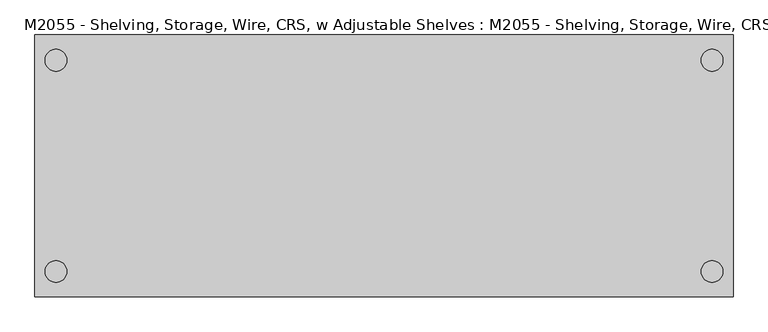
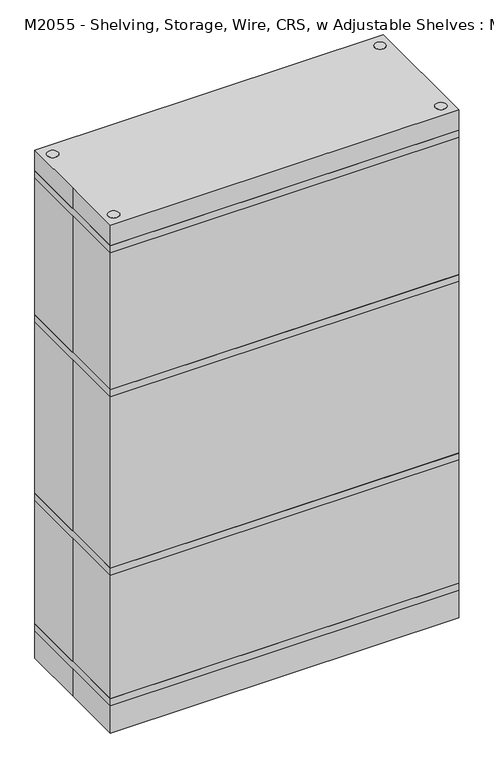
"""IFC4 building model written with IfcOpenShell, lengths in millimetres: proxy geometry, M2055 - Shelving, Storage, Wire, CRS, w Adjustable Shelves : M2055 - Shelving, Storage, Wire, CRS, w Adjustable Shelves."""

from ifc_helpers import new_model, si_unit, point, frame, frame_2d, origin, origin_with_axes, place, context, project, spatial, polyline, circle_curve, trimmed, segment, composite_curve, outline, extrude, source, transform, mapped, element, save


def m2055_shelving_storage_wire_crs_w_adjustable_shelves_m2055_7b4e6a09(model_context):
    return source(origin(), model_context, "Body", "SweptSolid", [
        extrude(outline(composite_curve([segment(trimmed(circle_curve(frame_2d((572.8672534, -184.4617049)), 19.05), [point((591.9172534, -184.4617049))], [point((553.8172534, -184.4617049))], False, "CARTESIAN"), True, "CONTINUOUS"), segment(trimmed(circle_curve(frame_2d((572.8672534, -184.4617049)), 19.05), [point((553.8172534, -184.4617049))], [point((591.9172534, -184.4617049))], False, "CARTESIAN"), True, "CONTINUOUS")], self_intersect=False)), origin_with_axes(), (0.0, 0.0, 1.0), 1879.6),
        extrude(outline(composite_curve([segment(trimmed(circle_curve(frame_2d((-572.8672534, -184.4617049)), 19.05), [point((-591.9172534, -184.4617049))], [point((-553.8172534, -184.4617049))], False, "CARTESIAN"), True, "CONTINUOUS"), segment(trimmed(circle_curve(frame_2d((-572.8672534, -184.4617049)), 19.05), [point((-553.8172534, -184.4617049))], [point((-591.9172534, -184.4617049))], False, "CARTESIAN"), True, "CONTINUOUS")], self_intersect=False)), origin_with_axes(), (0.0, 0.0, 1.0), 1879.6),
        extrude(outline(composite_curve([segment(trimmed(circle_curve(frame_2d((572.8672534, 184.4617049)), 19.05), [point((591.9172534, 184.4617049))], [point((553.8172534, 184.4617049))], False, "CARTESIAN"), True, "CONTINUOUS"), segment(trimmed(circle_curve(frame_2d((572.8672534, 184.4617049)), 19.05), [point((553.8172534, 184.4617049))], [point((591.9172534, 184.4617049))], False, "CARTESIAN"), True, "CONTINUOUS")], self_intersect=False)), origin_with_axes(), (0.0, 0.0, 1.0), 1879.6),
        extrude(outline(composite_curve([segment(trimmed(circle_curve(frame_2d((-572.8672534, 184.4617049)), 19.05), [point((-591.9172534, 184.4617049))], [point((-553.8172534, 184.4617049))], False, "CARTESIAN"), True, "CONTINUOUS"), segment(trimmed(circle_curve(frame_2d((-572.8672534, 184.4617049)), 19.05), [point((-553.8172534, 184.4617049))], [point((-591.9172534, 184.4617049))], False, "CARTESIAN"), True, "CONTINUOUS")], self_intersect=False)), origin_with_axes(), (0.0, 0.0, 1.0), 1879.6),
        extrude(outline(polyline([(609.6, 228.6), (609.6, -228.6), (-609.6, -228.6), (-609.6, 228.6), (609.6, 228.6)])), frame((0.0, 0.0, 1778.0), z_axis=(0.0, 0.0, 1.0), x_axis=(1.0, 0.0, 0.0)), (0.0, 0.0, 1.0), 25.4),
        extrude(outline(polyline([(609.6, 228.6), (609.6, -228.6), (-609.6, -228.6), (-609.6, 228.6), (609.6, 228.6)])), frame((0.0, 0.0, 1244.6), z_axis=(0.0, 0.0, 1.0), x_axis=(1.0, 0.0, 0.0)), (0.0, 0.0, 1.0), 25.4),
        extrude(outline(polyline([(609.6, 228.6), (609.6, -228.6), (-609.6, -228.6), (-609.6, 228.6), (609.6, 228.6)])), frame((0.0, 0.0, 584.2), z_axis=(0.0, 0.0, 1.0), x_axis=(1.0, 0.0, 0.0)), (0.0, 0.0, 1.0), 25.4),
        extrude(outline(polyline([(609.6, 228.6), (609.6, -228.6), (-609.6, -228.6), (-609.6, 228.6), (609.6, 228.6)])), frame((0.0, 0.0, 101.6), z_axis=(0.0, 0.0, 1.0), x_axis=(1.0, 0.0, 0.0)), (0.0, 0.0, 1.0), 25.4),
        extrude(outline(polyline([(-609.6, 228.6), (609.6, 228.6), (609.6, -228.6), (-609.6, -228.6), (-609.6, 0.0), (-609.6, 228.6)])), origin_with_axes(), (0.0, 0.0, 1.0), 1879.6),
    ])


if __name__ == "__main__":
    model = new_model("IFC4")
    model_context = context("Model", 3, world=origin())
    ifc_project = project(units=[si_unit("LENGTHUNIT", "METRE", prefix="MILLI")], contexts=[model_context])
    site = spatial("IfcSite", under=ifc_project)
    building = spatial("IfcBuilding", under=site)
    placement = place(None, origin())
    m2055_shelving_storage_wire_crs_w_adjustable_shelves_m2055_shape = m2055_shelving_storage_wire_crs_w_adjustable_shelves_m2055_7b4e6a09(model_context)
    element("IfcBuildingElementProxy", 1, Name="M2055 - Shelving, Storage, Wire, CRS, w Adjustable Shelves : M2055 - Shelving, Storage, Wire, CRS, w Adjustable Shelves", ObjectType="M2055 - Shelving, Storage, Wire, CRS, w Adjustable Shelves : M2055 - Shelving, Storage, Wire, CRS, w Adjustable Shelves", at=placement, inside=building, context=model_context, shape_type="MappedRepresentation", body=[
        mapped(m2055_shelving_storage_wire_crs_w_adjustable_shelves_m2055_shape, transform((0.0, 0.0, 0.0), x_axis=(1.0, 0.0, 0.0), y_axis=(0.0, 1.0, 0.0), z_axis=(0.0, 0.0, 1.0))),
    ])
    save(model, "model.ifc")
